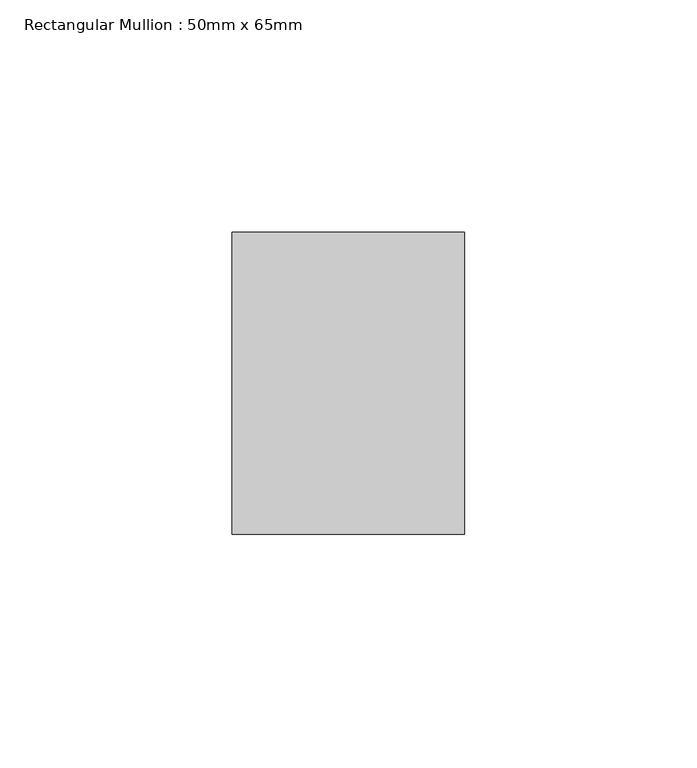
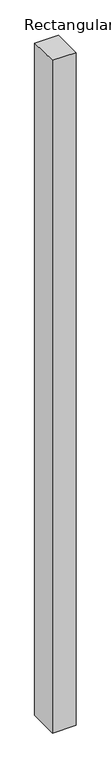
"""IFC4 building model written with IfcOpenShell, lengths in millimetres: member geometry, Rectangular Mullion : 50mm x 65mm."""

import ifcopenshell
import ifcopenshell.guid

model = None  # the IFC model being written
_history = None  # IfcOwnerHistory: only IFC2X3 demands one
_inside = {}  # id of a spatial element -> (the spatial element, [elements in it])
_under = {}  # id of a project, library or spatial element -> (it, [spatial elements below it])
_declared = {}  # id of a project -> (the project, [libraries it declares])
_typed = {}  # id of a type object -> (the type object, [elements of that type])
_made_of = {}  # id of a material, layer set ... -> (it, [elements and type objects made of it])


def new_model(schema):
    """Start an empty IFC model of exactly this schema.

    Asked for "IFC4X3", IfcOpenShell would pick the latest addendum, in which some entities
    have other attributes; the version numbers below select the first issue.
    IFC2X3 requires an IfcOwnerHistory on every rooted entity: one is made here for all.
    """
    global model, _history
    if schema == "IFC4X3":
        model = ifcopenshell.file(schema_version=(4, 3, 0, 0))
    else:
        model = ifcopenshell.file(schema=schema)
    _inside.clear()
    _under.clear()
    _declared.clear()
    _typed.clear()
    _made_of.clear()
    _history = None
    if model.schema == "IFC2X3":
        org = make("IfcOrganization", Name="unknown")
        user = make(
            "IfcPersonAndOrganization",
            ThePerson=make("IfcPerson", FamilyName="unknown"),
            TheOrganization=org,
        )
        app = make(
            "IfcApplication",
            ApplicationDeveloper=org,
            Version="unknown",
            ApplicationFullName="unknown",
            ApplicationIdentifier="unknown",
        )
        _history = make(
            "IfcOwnerHistory",
            OwningUser=user,
            OwningApplication=app,
            ChangeAction="ADDED",
            CreationDate=0,
        )
    return model


def make(cls, **values):
    """One entity of the class cls with the attributes given. An attribute that is None is left unset."""
    return model.create_entity(
        cls, **{name: value for name, value in values.items() if value is not None}
    )


def rooted(cls, **values):
    """An entity with a GlobalId (a new one), such as an element, a storey or a relation."""
    return make(cls, GlobalId=ifcopenshell.guid.new(), OwnerHistory=_history, **values)


def si_unit(unit_type, name, prefix=None):
    """IfcSIUnit, for example si_unit("LENGTHUNIT", "METRE", prefix="MILLI")."""
    return make("IfcSIUnit", UnitType=unit_type, Prefix=prefix, Name=name)


def assignment(units):
    """IfcUnitAssignment: the units of a project."""
    return None if units is None else make("IfcUnitAssignment", Units=units)


def point(xyz):
    """IfcCartesianPoint."""
    return None if xyz is None else make("IfcCartesianPoint", Coordinates=xyz)


def direction(xyz):
    """IfcDirection."""
    return None if xyz is None else make("IfcDirection", DirectionRatios=xyz)


def frame(location, z_axis=None, x_axis=None):
    """IfcAxis2Placement3D, a coordinate frame: its origin and axes. An axis left out is left unset."""
    return make(
        "IfcAxis2Placement3D",
        Location=point(location),
        Axis=direction(z_axis),
        RefDirection=direction(x_axis),
    )


def origin():
    """The frame at (0, 0, 0) with its axes left unset."""
    return frame((0.0, 0.0, 0.0))


def place(relative_to, where):
    """IfcLocalPlacement: puts the frame where relative to a parent placement (None: the world)."""
    return make(
        "IfcLocalPlacement", PlacementRelTo=relative_to, RelativePlacement=where
    )


def context(
    kind, dimensions, precision=None, world=None, true_north=None, identifier=None
):
    """IfcGeometricRepresentationContext, for example the 3D "Model" context."""
    return make(
        "IfcGeometricRepresentationContext",
        ContextIdentifier=identifier,
        ContextType=kind,
        CoordinateSpaceDimension=dimensions,
        Precision=precision,
        WorldCoordinateSystem=world,
        TrueNorth=true_north,
    )


def project(units=None, contexts=None):
    """IfcProject with its units and contexts."""
    return rooted(
        "IfcProject",
        Name="project",
        RepresentationContexts=contexts,
        UnitsInContext=assignment(units),
    )


def spatial(cls, under=None, at=None, **own):
    """A site, building, storey or space (cls), placed at a placement, below another one or the project."""
    s = rooted(cls, ObjectPlacement=at, **own)
    if under is not None:
        _under.setdefault(under.id(), (under, []))[1].append(s)
    return s


def faces_of(points, faces, orient=None, outer=None):
    """IfcFace entities. A face is a list of loops; a loop is a list of indices into points, from 0.

    orient and outer hold one flag for each loop. By default every Orientation is true, the
    first loop of a face is its IfcFaceOuterBound and the others are IfcFaceBound.
    """
    made = []
    for i, loops in enumerate(faces):
        bounds = []
        for j, loop in enumerate(loops):
            is_outer = j == 0 if outer is None else outer[i][j]
            bounds.append(
                make(
                    "IfcFaceOuterBound" if is_outer else "IfcFaceBound",
                    Bound=make("IfcPolyLoop", Polygon=[points[k] for k in loop]),
                    Orientation=True if orient is None else orient[i][j],
                )
            )
        made.append(make("IfcFace", Bounds=bounds))
    return made


def faceted_brep(points, faces, orient=None, outer=None, voids=None):
    """IfcFacetedBrep: a solid bounded by flat faces; with voids (closed shells), ...WithVoids."""
    shared = [point(p) for p in points]
    hull = make("IfcClosedShell", CfsFaces=faces_of(shared, faces, orient, outer))
    if voids is None:
        return make("IfcFacetedBrep", Outer=hull)
    return make(
        "IfcFacetedBrepWithVoids",
        Outer=hull,
        Voids=[
            make(cls, CfsFaces=faces_of(shared, fs, o, b)) for cls, fs, o, b in voids
        ],
    )


def shape(context_of_items, identifier, shape_type, items):
    """IfcShapeRepresentation: the items that make up one representation, for example the "Body"."""
    return make(
        "IfcShapeRepresentation",
        ContextOfItems=context_of_items,
        RepresentationIdentifier=identifier,
        RepresentationType=shape_type,
        Items=items,
    )


def source(mapping_origin, context_of_items, identifier, shape_type, items):
    """IfcRepresentationMap: a shape defined once, which mapped items show again and again."""
    return make(
        "IfcRepresentationMap",
        MappingOrigin=mapping_origin,
        MappedRepresentation=shape(context_of_items, identifier, shape_type, items),
    )


def transform(
    local_origin,
    x_axis=None,
    y_axis=None,
    z_axis=None,
    scale=None,
    scale2=None,
    scale3=None,
    uniform=True,
):
    """IfcCartesianTransformationOperator3D, or its non-uniform kind. x_axis, y_axis, z_axis: its Axis1, 2, 3."""
    if uniform:
        return make(
            "IfcCartesianTransformationOperator3D",
            Axis1=direction(x_axis),
            Axis2=direction(y_axis),
            LocalOrigin=point(local_origin),
            Scale=scale,
            Axis3=direction(z_axis),
        )
    return make(
        "IfcCartesianTransformationOperator3DnonUniform",
        Axis1=direction(x_axis),
        Axis2=direction(y_axis),
        LocalOrigin=point(local_origin),
        Scale=scale,
        Axis3=direction(z_axis),
        Scale2=scale2,
        Scale3=scale3,
    )


def mapped(mapping_source, mapping_target):
    """IfcMappedItem: shows the shape of a source again, moved by a transform."""
    return make(
        "IfcMappedItem", MappingSource=mapping_source, MappingTarget=mapping_target
    )


def made_of(thing, what):
    """Note that an element or type object is made of a material, layer set ...; save() writes the relation."""
    if what is not None:
        _made_of.setdefault(what.id(), (what, []))[1].append(thing)
    return thing


def element(
    cls,
    number,
    at=None,
    inside=None,
    cuts=None,
    type_object=None,
    material=None,
    context=None,
    identifier="Body",
    shape_type=None,
    held_by="IfcProductDefinitionShape",
    body=None,
    shapes=None,
    **own,
):
    """One element of the class cls, such as IfcWall. Its Tag is "e" and its number.

    at: its placement. inside: the storey or other place that contains it. cuts: it is an
    opening in that element (IfcRelVoidsElement). A single representation is given by context,
    identifier, shape_type and body (its items); several are given by shapes. held_by: the class
    of the entity that holds the representations. save() writes the other relations.
    """
    e = rooted(cls, Tag="e%d" % number, ObjectPlacement=at, **own)
    if body is not None:
        shapes = [shape(context, identifier, shape_type, body)]
    if shapes is not None:
        e.Representation = make(held_by, Representations=shapes)
    if inside is not None:
        _inside.setdefault(inside.id(), (inside, []))[1].append(e)
    if cuts is not None:
        rooted(
            "IfcRelVoidsElement", RelatingBuildingElement=cuts, RelatedOpeningElement=e
        )
    if type_object is not None:
        _typed.setdefault(type_object.id(), (type_object, []))[1].append(e)
    return made_of(e, material)


def aggregate(whole, parts):
    """IfcRelAggregates: a whole, such as a stair, and the parts it consists of."""
    return rooted("IfcRelAggregates", RelatingObject=whole, RelatedObjects=parts)


def save(model, path):
    """Write the relations noted so far, then the file.

    IfcRelAggregates (storeys below a building ...), IfcRelContainedInSpatialStructure (elements
    in a storey), IfcRelDefinesByType, IfcRelAssociatesMaterial and IfcRelDeclares: one each for
    every whole, place, type object, material and project.
    """
    for whole, parts in _under.values():
        aggregate(whole, parts)
    for where, things in _inside.values():
        rooted(
            "IfcRelContainedInSpatialStructure",
            RelatedElements=things,
            RelatingStructure=where,
        )
    for kind, things in _typed.values():
        rooted("IfcRelDefinesByType", RelatedObjects=things, RelatingType=kind)
    for what, things in _made_of.values():
        rooted("IfcRelAssociatesMaterial", RelatedObjects=things, RelatingMaterial=what)
    for by, libraries in _declared.values():
        rooted("IfcRelDeclares", RelatingContext=by, RelatedDefinitions=libraries)
    model.write(path)


def rectangular_mullion_50mm_x_65mm_fbb8a362(model_context):
    return source(origin(), model_context, "Body", "Brep", [
        faceted_brep([(-25.0, 32.5, -0.3536716), (25.0, 32.5, -0.3536689), (25.0, 32.5, -1499.5482033), (-25.0, 32.5, -1499.5481999), (-25.0, -32.5, 0.3536689), (-25.0, -32.5, -1500.4518291), (25.0, -32.5, 0.3536716), (25.0, -32.5, -1500.4518325)], [[[0, 1, 2, 3]], [[4, 0, 3, 5]], [[6, 4, 5, 7]], [[1, 6, 7, 2]], [[1, 0, 4, 6]], [[2, 7, 5, 3]]]),
    ])


if __name__ == "__main__":
    model = new_model("IFC4")
    model_context = context("Model", 3, world=origin())
    ifc_project = project(units=[si_unit("LENGTHUNIT", "METRE", prefix="MILLI")], contexts=[model_context])
    site = spatial("IfcSite", under=ifc_project)
    building = spatial("IfcBuilding", under=site)
    placement = place(None, origin())
    rectangular_mullion_50mm_x_65mm_shape = rectangular_mullion_50mm_x_65mm_fbb8a362(model_context)
    element("IfcMember", 1, ObjectType="Rectangular Mullion : 50mm x 65mm", at=placement, inside=building, context=model_context, shape_type="MappedRepresentation", body=[
        mapped(rectangular_mullion_50mm_x_65mm_shape, transform((0.0, 0.0, 0.0), x_axis=(1.0, 0.0, 0.0), y_axis=(0.0, 1.0, 0.0), z_axis=(0.0, 0.0, 1.0))),
    ])
    save(model, "model.ifc")
